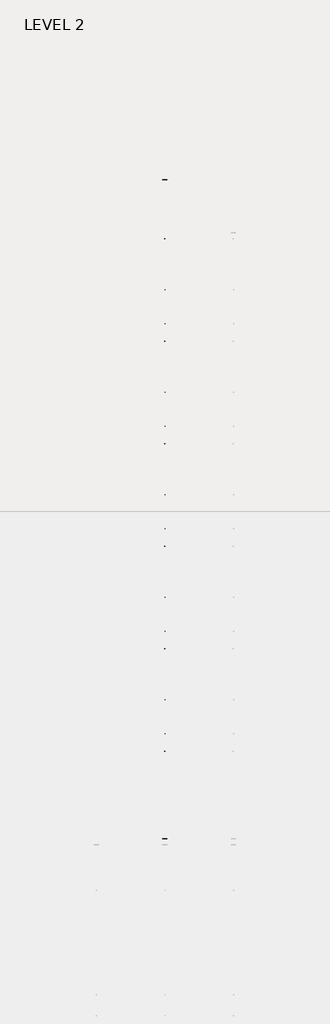
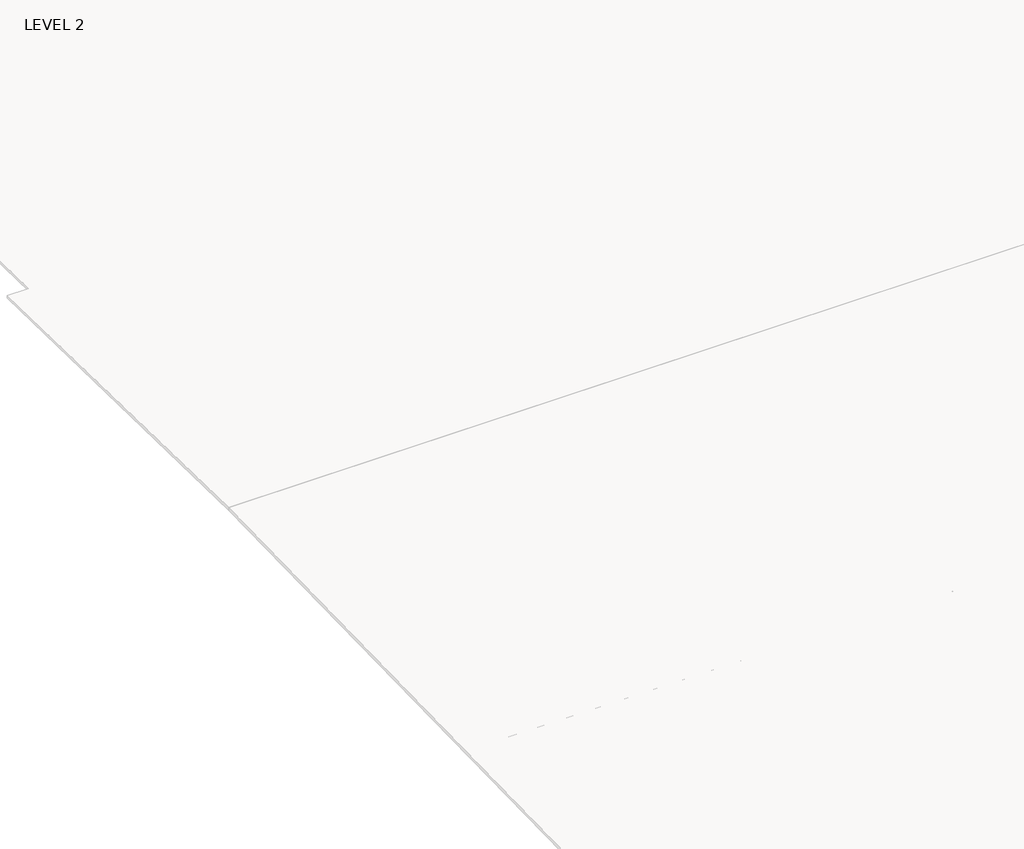
# One storey, part 14 of 67: 1 beam.
"""IFC4 building model written with IfcOpenShell, lengths in millimetres."""

import ifcopenshell
import ifcopenshell.guid

model = None  # the IFC model being written
_history = None  # IfcOwnerHistory: only IFC2X3 demands one
_inside = {}  # id of a spatial element -> (the spatial element, [elements in it])
_under = {}  # id of a project, library or spatial element -> (it, [spatial elements below it])
_declared = {}  # id of a project -> (the project, [libraries it declares])
_typed = {}  # id of a type object -> (the type object, [elements of that type])
_made_of = {}  # id of a material, layer set ... -> (it, [elements and type objects made of it])


def new_model(schema):
    """Start an empty IFC model of exactly this schema.

    Asked for "IFC4X3", IfcOpenShell would pick the latest addendum, in which some entities
    have other attributes; the version numbers below select the first issue.
    IFC2X3 requires an IfcOwnerHistory on every rooted entity: one is made here for all.
    """
    global model, _history
    if schema == "IFC4X3":
        model = ifcopenshell.file(schema_version=(4, 3, 0, 0))
    else:
        model = ifcopenshell.file(schema=schema)
    _inside.clear()
    _under.clear()
    _declared.clear()
    _typed.clear()
    _made_of.clear()
    _history = None
    if model.schema == "IFC2X3":
        org = make("IfcOrganization", Name="unknown")
        user = make(
            "IfcPersonAndOrganization",
            ThePerson=make("IfcPerson", FamilyName="unknown"),
            TheOrganization=org,
        )
        app = make(
            "IfcApplication",
            ApplicationDeveloper=org,
            Version="unknown",
            ApplicationFullName="unknown",
            ApplicationIdentifier="unknown",
        )
        _history = make(
            "IfcOwnerHistory",
            OwningUser=user,
            OwningApplication=app,
            ChangeAction="ADDED",
            CreationDate=0,
        )
    return model


def make(cls, **values):
    """One entity of the class cls with the attributes given. An attribute that is None is left unset."""
    return model.create_entity(
        cls, **{name: value for name, value in values.items() if value is not None}
    )


def rooted(cls, **values):
    """An entity with a GlobalId (a new one), such as an element, a storey or a relation."""
    return make(cls, GlobalId=ifcopenshell.guid.new(), OwnerHistory=_history, **values)


def si_unit(unit_type, name, prefix=None):
    """IfcSIUnit, for example si_unit("LENGTHUNIT", "METRE", prefix="MILLI")."""
    return make("IfcSIUnit", UnitType=unit_type, Prefix=prefix, Name=name)


def assignment(units):
    """IfcUnitAssignment: the units of a project."""
    return None if units is None else make("IfcUnitAssignment", Units=units)


def point(xyz):
    """IfcCartesianPoint."""
    return None if xyz is None else make("IfcCartesianPoint", Coordinates=xyz)


def direction(xyz):
    """IfcDirection."""
    return None if xyz is None else make("IfcDirection", DirectionRatios=xyz)


def frame(location, z_axis=None, x_axis=None):
    """IfcAxis2Placement3D, a coordinate frame: its origin and axes. An axis left out is left unset."""
    return make(
        "IfcAxis2Placement3D",
        Location=point(location),
        Axis=direction(z_axis),
        RefDirection=direction(x_axis),
    )


def origin():
    """The frame at (0, 0, 0) with its axes left unset."""
    return frame((0.0, 0.0, 0.0))


def place(relative_to, where):
    """IfcLocalPlacement: puts the frame where relative to a parent placement (None: the world)."""
    return make(
        "IfcLocalPlacement", PlacementRelTo=relative_to, RelativePlacement=where
    )


def context(
    kind, dimensions, precision=None, world=None, true_north=None, identifier=None
):
    """IfcGeometricRepresentationContext, for example the 3D "Model" context."""
    return make(
        "IfcGeometricRepresentationContext",
        ContextIdentifier=identifier,
        ContextType=kind,
        CoordinateSpaceDimension=dimensions,
        Precision=precision,
        WorldCoordinateSystem=world,
        TrueNorth=true_north,
    )


def project(units=None, contexts=None):
    """IfcProject with its units and contexts."""
    return rooted(
        "IfcProject",
        Name="project",
        RepresentationContexts=contexts,
        UnitsInContext=assignment(units),
    )


def spatial(cls, under=None, at=None, **own):
    """A site, building, storey or space (cls), placed at a placement, below another one or the project."""
    s = rooted(cls, ObjectPlacement=at, **own)
    if under is not None:
        _under.setdefault(under.id(), (under, []))[1].append(s)
    return s


def polyline(points):
    """IfcPolyline through the points."""
    return make("IfcPolyline", Points=[point(p) for p in points])


def outline(outer, holes=None, kind="AREA"):
    """IfcArbitraryClosedProfileDef: a profile drawn as a closed curve; with holes, ...WithVoids."""
    if holes is None:
        return make("IfcArbitraryClosedProfileDef", ProfileType=kind, OuterCurve=outer)
    return make(
        "IfcArbitraryProfileDefWithVoids",
        ProfileType=kind,
        OuterCurve=outer,
        InnerCurves=holes,
    )


def extrude(swept, where, along, depth):
    """IfcExtrudedAreaSolid: the profile swept, set in the frame where, extruded along a direction by depth."""
    return make(
        "IfcExtrudedAreaSolid",
        SweptArea=swept,
        Position=where,
        ExtrudedDirection=direction(along),
        Depth=depth,
    )


def faces_of(points, faces, orient=None, outer=None):
    """IfcFace entities. A face is a list of loops; a loop is a list of indices into points, from 0.

    orient and outer hold one flag for each loop. By default every Orientation is true, the
    first loop of a face is its IfcFaceOuterBound and the others are IfcFaceBound.
    """
    made = []
    for i, loops in enumerate(faces):
        bounds = []
        for j, loop in enumerate(loops):
            is_outer = j == 0 if outer is None else outer[i][j]
            bounds.append(
                make(
                    "IfcFaceOuterBound" if is_outer else "IfcFaceBound",
                    Bound=make("IfcPolyLoop", Polygon=[points[k] for k in loop]),
                    Orientation=True if orient is None else orient[i][j],
                )
            )
        made.append(make("IfcFace", Bounds=bounds))
    return made


def faceted_brep(points, faces, orient=None, outer=None, voids=None):
    """IfcFacetedBrep: a solid bounded by flat faces; with voids (closed shells), ...WithVoids."""
    shared = [point(p) for p in points]
    hull = make("IfcClosedShell", CfsFaces=faces_of(shared, faces, orient, outer))
    if voids is None:
        return make("IfcFacetedBrep", Outer=hull)
    return make(
        "IfcFacetedBrepWithVoids",
        Outer=hull,
        Voids=[
            make(cls, CfsFaces=faces_of(shared, fs, o, b)) for cls, fs, o, b in voids
        ],
    )


def shape(context_of_items, identifier, shape_type, items):
    """IfcShapeRepresentation: the items that make up one representation, for example the "Body"."""
    return make(
        "IfcShapeRepresentation",
        ContextOfItems=context_of_items,
        RepresentationIdentifier=identifier,
        RepresentationType=shape_type,
        Items=items,
    )


def made_of(thing, what):
    """Note that an element or type object is made of a material, layer set ...; save() writes the relation."""
    if what is not None:
        _made_of.setdefault(what.id(), (what, []))[1].append(thing)
    return thing


def element(
    cls,
    number,
    at=None,
    inside=None,
    cuts=None,
    type_object=None,
    material=None,
    context=None,
    identifier="Body",
    shape_type=None,
    held_by="IfcProductDefinitionShape",
    body=None,
    shapes=None,
    **own,
):
    """One element of the class cls, such as IfcWall. Its Tag is "e" and its number.

    at: its placement. inside: the storey or other place that contains it. cuts: it is an
    opening in that element (IfcRelVoidsElement). A single representation is given by context,
    identifier, shape_type and body (its items); several are given by shapes. held_by: the class
    of the entity that holds the representations. save() writes the other relations.
    """
    e = rooted(cls, Tag="e%d" % number, ObjectPlacement=at, **own)
    if body is not None:
        shapes = [shape(context, identifier, shape_type, body)]
    if shapes is not None:
        e.Representation = make(held_by, Representations=shapes)
    if inside is not None:
        _inside.setdefault(inside.id(), (inside, []))[1].append(e)
    if cuts is not None:
        rooted(
            "IfcRelVoidsElement", RelatingBuildingElement=cuts, RelatedOpeningElement=e
        )
    if type_object is not None:
        _typed.setdefault(type_object.id(), (type_object, []))[1].append(e)
    return made_of(e, material)


def aggregate(whole, parts):
    """IfcRelAggregates: a whole, such as a stair, and the parts it consists of."""
    return rooted("IfcRelAggregates", RelatingObject=whole, RelatedObjects=parts)


def save(model, path):
    """Write the relations noted so far, then the file.

    IfcRelAggregates (storeys below a building ...), IfcRelContainedInSpatialStructure (elements
    in a storey), IfcRelDefinesByType, IfcRelAssociatesMaterial and IfcRelDeclares: one each for
    every whole, place, type object, material and project.
    """
    for whole, parts in _under.values():
        aggregate(whole, parts)
    for where, things in _inside.values():
        rooted(
            "IfcRelContainedInSpatialStructure",
            RelatedElements=things,
            RelatingStructure=where,
        )
    for kind, things in _typed.values():
        rooted("IfcRelDefinesByType", RelatedObjects=things, RelatingType=kind)
    for what, things in _made_of.values():
        rooted("IfcRelAssociatesMaterial", RelatedObjects=things, RelatingMaterial=what)
    for by, libraries in _declared.values():
        rooted("IfcRelDeclares", RelatingContext=by, RelatedDefinitions=libraries)
    model.write(path)


model = new_model("IFC4")

# Units and contexts
model_context = context("Model", 3, world=origin())
ifc_project = project(units=[si_unit("LENGTHUNIT", "METRE", prefix="MILLI")], contexts=[model_context])

# Site, building, storey
site = spatial("IfcSite", under=ifc_project)
building = spatial("IfcBuilding", under=site)
storey = spatial("IfcBuildingStorey", under=building, Name="LEVEL 2", Elevation=6908.8)

# Beam
placement = place(None, origin())
element("IfcBeam", 1, ObjectType="K-Series Bar Joist-Angle Web : 20K3", at=placement, inside=storey, context=model_context, shape_type="SolidModel", body=[
    extrude(outline(polyline([(0.0, -9.525), (0.0, 0.0), (1028.0726482, 0.0), (1028.0726482, -9.525), (0.0, -9.525)])), frame((10027.4814942, 3035.5565988, 6301.6902795), z_axis=(0.0, -0.4581388556718107, 0.8888806381757475), x_axis=(0.0, -0.8888806381757475, -0.4581388556718107)), (0.0, 0.0, 1.0), 9.525),
    extrude(outline(polyline([(0.0, -9.525), (0.0, 0.0), (1028.0726482, 0.0), (1028.0726482, -9.525), (0.0, -9.525)])), frame((10017.9564942, -8186.063857, 6288.1864432), z_axis=(0.0, 0.4559982154445185, 0.8899806894036604), x_axis=(0.0, 0.8899806894036604, -0.4559982154445185)), (0.0, 0.0, 1.0), 9.525),
    extrude(outline(polyline([(4.7625, 4.7625), (4.7625, -4.7625), (-4.7625, -4.7625), (-4.7625, 4.7625), (4.7625, 4.7625)])), frame((10022.7189942, 2119.5408409, 5834.923547), z_axis=(0.0, 0.5286558449141312, 0.8488362607936387), x_axis=(-1.0, 0.0, 0.0)), (0.0, 0.0, 1.0), 553.9970421),
    extrude(outline(polyline([(4.7625, 4.7625), (4.7625, -4.7625), (-4.7625, -4.7625), (-4.7625, 4.7625), (4.7625, 4.7625)])), frame((10022.7189942, -7268.9273613, 5823.6256833), z_axis=(0.0, -0.5306972503606071, 0.8475614599895934), x_axis=(-1.0, 0.0, 0.0)), (0.0, 0.0, 1.0), 553.9970421),
    extrude(outline(polyline([(0.0, 0.0), (31.75, 0.0), (31.75, -6.35), (6.35, -6.35), (6.35, -31.75), (0.0, -31.75), (0.0, 0.0)])), frame((10027.4814942, -7370.5196463, 5817.1534249), z_axis=(0.0, 0.999999275943077, 0.001203375802351099), x_axis=(1.0, 0.0, 0.0)), (0.0, 0.0, 1.0), 9591.675),
    extrude(outline(polyline([(-9.525, 0.0), (-9.525, -31.75), (-15.875, -31.75), (-15.875, -6.35), (-41.275, -6.35), (-41.275, 0.0), (-9.525, 0.0)])), frame((10027.4814942, -7370.5196463, 5817.1534249), z_axis=(0.0, 0.999999275943077, 0.001203375802351099), x_axis=(1.0, 0.0, 0.0)), (0.0, 0.0, 1.0), 9591.675),
    extrude(outline(polyline([(-31.75, 0.0), (0.0, 0.0), (0.0, -6.35), (-25.4, -6.35), (-25.4, -31.75), (-31.75, -31.75), (-31.75, 0.0)])), frame((10059.2314942, -8285.4538848, 6260.5527363), z_axis=(0.0, 0.999999275943077, 0.001203375802351099), x_axis=(1.0, 0.0, 0.0)), (0.0, 0.0, 1.0), 101.6),
    extrude(outline(polyline([(-41.275, 0.0), (-41.275, -31.75), (-47.625, -31.75), (-47.625, -6.35), (-73.025, -6.35), (-73.025, 0.0), (-41.275, 0.0)])), frame((10059.2314942, -8285.4538848, 6260.5527363), z_axis=(0.0, 0.999999275943077, 0.001203375802351099), x_axis=(1.0, 0.0, 0.0)), (0.0, 0.0, 1.0), 101.6),
    extrude(outline(polyline([(0.0, 0.0), (31.7500001, 0.0), (31.7500001, -6.35), (6.35, -6.35), (6.35, -31.75), (0.0, -31.75), (0.0, 0.0)])), frame((10017.9564942, 3033.4129197, 6274.1735965), z_axis=(0.0, 0.999999275943077, 0.001203375802351099), x_axis=(0.0, -0.001203375802351099, 0.999999275943077)), (0.0, 0.0, 1.0), 101.6),
    extrude(outline(polyline([(0.0, 41.275), (6.35, 41.275), (6.35, 15.875), (31.7500001, 15.875), (31.7500001, 9.525), (0.0, 9.525), (0.0, 41.275)])), frame((10017.9564942, 3033.4129197, 6274.1735965), z_axis=(0.0, 0.999999275943077, 0.001203375802351099), x_axis=(0.0, -0.001203375802351099, 0.999999275943077)), (0.0, 0.0, 1.0), 101.6),
    extrude(outline(polyline([(0.0, 0.0), (31.75, 0.0), (31.75, -6.35), (6.35, -6.35), (6.35, -31.75), (0.0, -31.75), (0.0, 0.0)])), frame((10027.4814942, -8285.5302992, 6324.0526903), z_axis=(0.0, 0.999999275943077, 0.001203375802351099), x_axis=(0.0, 0.001203375802351099, -0.999999275943077)), (0.0, 0.0, 1.0), 11420.475),
    extrude(outline(polyline([(0.0, 9.525), (0.0, 41.275), (6.35, 41.275), (6.35, 15.875), (31.75, 15.875), (31.75, 9.525), (0.0, 9.525)])), frame((10027.4814942, -8285.5302992, 6324.0526903), z_axis=(0.0, 0.999999275943077, 0.001203375802351099), x_axis=(0.0, 0.001203375802351099, -0.999999275943077)), (0.0, 0.0, 1.0), 11420.475),
    faceted_brep([(10022.7189942, 2119.5217373, 5850.7985355), (10022.7189942, 2119.5446616, 5831.7485493), (10017.9564942, 2119.5446616, 5831.7485493), (10017.9564942, 2119.5217373, 5850.7985355), (10022.7189942, 2118.6502338, 5850.7974867), (10022.7189942, 1837.3302348, 6333.0593022), (10022.7189942, 1819.1517521, 6333.0374267), (10022.7189942, 1819.1746764, 6313.9874404), (10022.7189942, 1826.3961753, 6313.9961306), (10022.7189942, 2107.7161743, 5831.7343151), (10017.9564942, 2107.7161743, 5831.7343151), (10017.9564942, 2087.3574901, 5866.6348412), (10017.9564942, 2091.4712349, 5869.0345309), (10017.9564942, 1839.7638674, 6300.5319447), (10017.9564942, 1835.6501226, 6298.1322551), (10017.9564942, 1826.3961753, 6313.9961306), (10017.9564942, 1819.1746764, 6313.9874404), (10017.9564942, 1819.1517521, 6333.0374267), (10017.9564942, 1837.3302348, 6333.0593022), (10017.9564942, 2118.6502338, 5850.7974867), (10005.2564942, 1835.6501226, 6298.1322551), (10005.2564942, 2087.3574901, 5866.6348412), (10005.2564942, 2091.4712349, 5869.0345309), (10005.2564942, 1839.7638674, 6300.5319447)], [[[0, 1, 2, 3]], [[1, 0, 4, 5, 6, 7, 8, 9]], [[2, 1, 9, 10]], [[3, 2, 10, 11, 12, 13, 14, 15, 16, 17, 18, 19]], [[0, 3, 19, 4]], [[9, 8, 15, 14, 20, 21, 11, 10]], [[5, 4, 19, 18]], [[7, 6, 17, 16]], [[8, 7, 16, 15]], [[6, 5, 18, 17]], [[21, 22, 12, 11]], [[20, 14, 13, 23]], [[22, 21, 20, 23]], [[12, 22, 23, 13]]]),
    extrude(outline(polyline([(1532.6661803, 5831.0423134), (1532.643256, 5850.0922996), (1533.5147595, 5850.0933483), (1813.6732602, 6333.030834), (1831.8517429, 6333.0527095), (1831.8746672, 6314.0027233), (1824.6531683, 6313.9940331), (1544.4946676, 5831.0565475), (1532.6661803, 5831.0423134)])), frame((10022.7189942, 0.0, 0.0), z_axis=(1.0, 0.0, 0.0), x_axis=(0.0, 1.0, 0.0)), (0.0, 0.0, 1.0), 4.7625),
    extrude(outline(polyline([(-4.7625, 4.7625), (-4.7625, 0.0), (-17.4625, 0.0), (-17.4625, 4.7625), (-4.7625, 4.7625)])), frame((10022.7189942, 1564.7692959, 5866.0059708), z_axis=(0.0, 0.501791478272945, 0.8649886197706028), x_axis=(-1.0, 0.0, 0.0)), (0.0, 0.0, 1.0), 499.5464113),
    faceted_brep([(10022.7189942, -6682.0679836, 5840.2069077), (10022.7189942, -6682.0450593, 5821.1569215), (10017.9564942, -6682.0450593, 5821.1569215), (10017.9564942, -6682.0679836, 5840.2069077), (10022.7189942, -6682.9394871, 5840.205859), (10022.7189942, -6964.2594861, 6322.4676745), (10022.7189942, -6982.4379688, 6322.4457989), (10022.7189942, -6982.4150445, 6303.3958127), (10022.7189942, -6975.1935456, 6303.4045029), (10022.7189942, -6693.8735466, 5821.1426874), (10017.9564942, -6693.8735466, 5821.1426874), (10017.9564942, -6714.2322308, 5856.0432135), (10017.9564942, -6710.118486, 5858.4429031), (10017.9564942, -6961.8258535, 6289.940317), (10017.9564942, -6965.9395983, 6287.5406274), (10017.9564942, -6975.1935456, 6303.4045029), (10017.9564942, -6982.4150445, 6303.3958127), (10017.9564942, -6982.4379688, 6322.4457989), (10017.9564942, -6964.2594861, 6322.4676745), (10017.9564942, -6682.9394871, 5840.205859), (10005.2564942, -6965.9395983, 6287.5406274), (10005.2564942, -6714.2322308, 5856.0432135), (10005.2564942, -6710.118486, 5858.4429031), (10005.2564942, -6961.8258535, 6289.940317)], [[[0, 1, 2, 3]], [[1, 0, 4, 5, 6, 7, 8, 9]], [[2, 1, 9, 10]], [[3, 2, 10, 11, 12, 13, 14, 15, 16, 17, 18, 19]], [[0, 3, 19, 4]], [[9, 8, 15, 14, 20, 21, 11, 10]], [[5, 4, 19, 18]], [[7, 6, 17, 16]], [[8, 7, 16, 15]], [[6, 5, 18, 17]], [[21, 22, 12, 11]], [[20, 14, 13, 23]], [[22, 21, 20, 23]], [[12, 22, 23, 13]]]),
    extrude(outline(polyline([(-7268.9235406, 5820.4506856), (-7268.9464649, 5839.5006718), (-7268.0749614, 5839.5017206), (-6987.9164607, 6322.4392062), (-6969.737978, 6322.4610818), (-6969.7150537, 6303.4110956), (-6976.9365526, 6303.4024054), (-7257.0950533, 5820.4649197), (-7268.9235406, 5820.4506856)])), frame((10022.7189942, 0.0, 0.0), z_axis=(1.0, 0.0, 0.0), x_axis=(0.0, 1.0, 0.0)), (0.0, 0.0, 1.0), 4.7625),
    extrude(outline(polyline([(-4.7625, 4.7625), (-4.7625, 0.0), (-17.4625, 0.0), (-17.4625, 4.7625), (-4.7625, 4.7625)])), frame((10022.7189942, -7236.820425, 5855.414343), z_axis=(0.0, 0.501791478272945, 0.8649886197706028), x_axis=(-1.0, 0.0, 0.0)), (0.0, 0.0, 1.0), 499.5464113),
    faceted_brep([(10022.7189942, 1532.7490892, 5850.0924269), (10022.7189942, 1532.7720135, 5831.0424407), (10017.9564942, 1532.7720135, 5831.0424407), (10017.9564942, 1532.7490892, 5850.0924269), (10022.7189942, 1531.8775857, 5850.0913782), (10022.7189942, 1250.5575867, 6332.3531937), (10022.7189942, 1232.379104, 6332.3313181), (10022.7189942, 1232.4020283, 6313.2813319), (10022.7189942, 1239.6235272, 6313.2900221), (10022.7189942, 1520.9435262, 5831.0282066), (10017.9564942, 1520.9435262, 5831.0282066), (10017.9564942, 1500.5848421, 5865.9287327), (10017.9564942, 1504.6985868, 5868.3284224), (10017.9564942, 1252.9912193, 6299.8258362), (10017.9564942, 1248.8774745, 6297.4261466), (10017.9564942, 1239.6235272, 6313.2900221), (10017.9564942, 1232.4020283, 6313.2813319), (10017.9564942, 1232.379104, 6332.3313181), (10017.9564942, 1250.5575867, 6332.3531937), (10017.9564942, 1531.8775857, 5850.0913782), (10005.2564942, 1248.8774745, 6297.4261466), (10005.2564942, 1500.5848421, 5865.9287327), (10005.2564942, 1504.6985868, 5868.3284224), (10005.2564942, 1252.9912193, 6299.8258362)], [[[0, 1, 2, 3]], [[1, 0, 4, 5, 6, 7, 8, 9]], [[2, 1, 9, 10]], [[3, 2, 10, 11, 12, 13, 14, 15, 16, 17, 18, 19]], [[0, 3, 19, 4]], [[9, 8, 15, 14, 20, 21, 11, 10]], [[5, 4, 19, 18]], [[7, 6, 17, 16]], [[8, 7, 16, 15]], [[6, 5, 18, 17]], [[21, 22, 12, 11]], [[20, 14, 13, 23]], [[22, 21, 20, 23]], [[12, 22, 23, 13]]]),
    extrude(outline(polyline([(945.8935322, 5830.3362049), (945.8706079, 5849.3861911), (946.7421114, 5849.3872398), (1226.9006121, 6332.3247254), (1245.0790948, 6332.346601), (1245.1020191, 6313.2966148), (1237.8805202, 6313.2879246), (957.7220195, 5830.350439), (945.8935322, 5830.3362049)])), frame((10022.7189942, 0.0, 0.0), z_axis=(1.0, 0.0, 0.0), x_axis=(0.0, 1.0, 0.0)), (0.0, 0.0, 1.0), 4.7625),
    extrude(outline(polyline([(-4.7625, 4.7625), (-4.7625, 0.0), (-17.4625, 0.0), (-17.4625, 4.7625), (-4.7625, 4.7625)])), frame((10022.7189942, 977.9966479, 5865.2998623), z_axis=(0.0, 0.501791478272945, 0.8649886197706028), x_axis=(-1.0, 0.0, 0.0)), (0.0, 0.0, 1.0), 499.5464113),
    faceted_brep([(10022.7189942, 945.9764412, 5849.3863184), (10022.7189942, 945.9993655, 5830.3363322), (10017.9564942, 945.9993655, 5830.3363322), (10017.9564942, 945.9764412, 5849.3863184), (10022.7189942, 945.1049377, 5849.3852697), (10022.7189942, 663.7849387, 6331.6470852), (10022.7189942, 645.6064559, 6331.6252096), (10022.7189942, 645.6293802, 6312.5752234), (10022.7189942, 652.8508791, 6312.5839136), (10022.7189942, 934.1708782, 5830.3220981), (10017.9564942, 934.1708782, 5830.3220981), (10017.9564942, 913.812194, 5865.2226242), (10017.9564942, 917.9259388, 5867.6223138), (10017.9564942, 666.2185712, 6299.1197277), (10017.9564942, 662.1048265, 6296.7200381), (10017.9564942, 652.8508791, 6312.5839136), (10017.9564942, 645.6293802, 6312.5752234), (10017.9564942, 645.6064559, 6331.6252096), (10017.9564942, 663.7849387, 6331.6470852), (10017.9564942, 945.1049377, 5849.3852697), (10005.2564942, 662.1048265, 6296.7200381), (10005.2564942, 913.812194, 5865.2226242), (10005.2564942, 917.9259388, 5867.6223138), (10005.2564942, 666.2185712, 6299.1197277)], [[[0, 1, 2, 3]], [[1, 0, 4, 5, 6, 7, 8, 9]], [[2, 1, 9, 10]], [[3, 2, 10, 11, 12, 13, 14, 15, 16, 17, 18, 19]], [[0, 3, 19, 4]], [[9, 8, 15, 14, 20, 21, 11, 10]], [[5, 4, 19, 18]], [[7, 6, 17, 16]], [[8, 7, 16, 15]], [[6, 5, 18, 17]], [[21, 22, 12, 11]], [[20, 14, 13, 23]], [[22, 21, 20, 23]], [[12, 22, 23, 13]]]),
    extrude(outline(polyline([(359.1208842, 5829.6300963), (359.0979598, 5848.6800825), (359.9694633, 5848.6811313), (640.127964, 6331.6186169), (658.3064467, 6331.6404925), (658.3293711, 6312.5905063), (651.1078722, 6312.5818161), (370.9493715, 5829.6443305), (359.1208842, 5829.6300963)])), frame((10022.7189942, 0.0, 0.0), z_axis=(1.0, 0.0, 0.0), x_axis=(0.0, 1.0, 0.0)), (0.0, 0.0, 1.0), 4.7625),
    extrude(outline(polyline([(-4.7625, 4.7625), (-4.7625, 0.0), (-17.4625, 0.0), (-17.4625, 4.7625), (-4.7625, 4.7625)])), frame((10022.7189942, 391.2239998, 5864.5937538), z_axis=(0.0, 0.501791478272945, 0.8649886197706028), x_axis=(-1.0, 0.0, 0.0)), (0.0, 0.0, 1.0), 499.5464113),
    faceted_brep([(10022.7189942, 359.2037931, 5848.6802099), (10022.7189942, 359.2267174, 5829.6302237), (10017.9564942, 359.2267174, 5829.6302237), (10017.9564942, 359.2037931, 5848.6802099), (10022.7189942, 358.3322896, 5848.6791612), (10022.7189942, 77.0122906, 6330.9409767), (10022.7189942, 58.8338079, 6330.9191011), (10022.7189942, 58.8567322, 6311.8691149), (10022.7189942, 66.0782311, 6311.8778051), (10022.7189942, 347.3982301, 5829.6159896), (10017.9564942, 347.3982301, 5829.6159896), (10017.9564942, 327.039546, 5864.5165157), (10017.9564942, 331.1532907, 5866.9162053), (10017.9564942, 79.4459232, 6298.4136192), (10017.9564942, 75.3321784, 6296.0139296), (10017.9564942, 66.0782311, 6311.8778051), (10017.9564942, 58.8567322, 6311.8691149), (10017.9564942, 58.8338079, 6330.9191011), (10017.9564942, 77.0122906, 6330.9409767), (10017.9564942, 358.3322896, 5848.6791612), (10005.2564942, 75.3321784, 6296.0139296), (10005.2564942, 327.039546, 5864.5165157), (10005.2564942, 331.1532907, 5866.9162053), (10005.2564942, 79.4459232, 6298.4136192)], [[[0, 1, 2, 3]], [[1, 0, 4, 5, 6, 7, 8, 9]], [[2, 1, 9, 10]], [[3, 2, 10, 11, 12, 13, 14, 15, 16, 17, 18, 19]], [[0, 3, 19, 4]], [[9, 8, 15, 14, 20, 21, 11, 10]], [[5, 4, 19, 18]], [[7, 6, 17, 16]], [[8, 7, 16, 15]], [[6, 5, 18, 17]], [[21, 22, 12, 11]], [[20, 14, 13, 23]], [[22, 21, 20, 23]], [[12, 22, 23, 13]]]),
    extrude(outline(polyline([(-227.6517639, 5828.9239878), (-227.6746882, 5847.973974), (-226.8031847, 5847.9750228), (53.355316, 6330.9125084), (71.5337987, 6330.934384), (71.556723, 6311.8843978), (64.3352241, 6311.8757076), (-215.8232766, 5828.938222), (-227.6517639, 5828.9239878)])), frame((10022.7189942, 0.0, 0.0), z_axis=(1.0, 0.0, 0.0), x_axis=(0.0, 1.0, 0.0)), (0.0, 0.0, 1.0), 4.7625),
    extrude(outline(polyline([(-4.7625, 4.7625), (-4.7625, 0.0), (-17.4625, 0.0), (-17.4625, 4.7625), (-4.7625, 4.7625)])), frame((10022.7189942, -195.5486483, 5863.8876453), z_axis=(0.0, 0.501791478272945, 0.8649886197706028), x_axis=(-1.0, 0.0, 0.0)), (0.0, 0.0, 1.0), 499.5464113),
    faceted_brep([(10022.7189942, -527.9159159, 6311.1630064), (10022.7189942, -527.9388402, 6330.2129926), (10017.9564942, -527.9388402, 6330.2129926), (10017.9564942, -527.9159159, 6311.1630064), (10022.7189942, -520.694417, 6311.1716966), (10017.9564942, -520.694417, 6311.1716966), (10005.2564942, -255.6193573, 5866.2100968), (10005.2564942, -259.7331021, 5863.8104072), (10005.2564942, -511.4404696, 6295.3078211), (10005.2564942, -507.3267249, 6297.7075107), (10022.7189942, -227.568855, 5847.9741014), (10022.7189942, -227.5459306, 5828.9241152), (10017.9564942, -227.5459306, 5828.9241152), (10017.9564942, -227.568855, 5847.9741014), (10022.7189942, -228.4403585, 5847.9730526), (10022.7189942, -509.7603575, 6330.2348681), (10022.7189942, -239.374418, 5828.9098811), (10017.9564942, -239.374418, 5828.9098811), (10017.9564942, -259.7331021, 5863.8104072), (10017.9564942, -255.6193573, 5866.2100968), (10017.9564942, -507.3267249, 6297.7075107), (10017.9564942, -511.4404696, 6295.3078211), (10017.9564942, -509.7603575, 6330.2348681), (10017.9564942, -228.4403585, 5847.9730526)], [[[0, 1, 2, 3]], [[4, 0, 3, 5]], [[6, 7, 8, 9]], [[10, 11, 12, 13]], [[11, 10, 14, 15, 1, 0, 4, 16]], [[12, 11, 16, 17]], [[13, 12, 17, 18, 19, 20, 21, 5, 3, 2, 22, 23]], [[10, 13, 23, 14]], [[16, 4, 5, 21, 8, 7, 18, 17]], [[15, 14, 23, 22]], [[1, 15, 22, 2]], [[7, 6, 19, 18]], [[8, 21, 20, 9]], [[19, 6, 9, 20]]]),
    extrude(outline(polyline([(-814.424412, 5828.2178793), (-814.4473363, 5847.2678655), (-813.5758328, 5847.2689143), (-533.4173321, 6330.2063999), (-515.2388494, 6330.2282755), (-515.2159251, 6311.1782893), (-522.437424, 6311.1695991), (-802.5959247, 5828.2321134), (-814.424412, 5828.2178793)])), frame((10022.7189942, 0.0, 0.0), z_axis=(1.0, 0.0, 0.0), x_axis=(0.0, 1.0, 0.0)), (0.0, 0.0, 1.0), 4.7625),
    extrude(outline(polyline([(-4.7625, 4.7625), (-4.7625, 0.0), (-17.4625, 0.0), (-17.4625, 4.7625), (-4.7625, 4.7625)])), frame((10022.7189942, -782.3212963, 5863.1815367), z_axis=(0.0, 0.501791478272945, 0.8649886197706028), x_axis=(-1.0, 0.0, 0.0)), (0.0, 0.0, 1.0), 499.5464113),
    faceted_brep([(10022.7189942, -1114.6885639, 6310.4568979), (10022.7189942, -1114.7114882, 6329.5068841), (10017.9564942, -1114.7114882, 6329.5068841), (10017.9564942, -1114.6885639, 6310.4568979), (10022.7189942, -1107.467065, 6310.465588), (10017.9564942, -1107.467065, 6310.465588), (10005.2564942, -842.3920054, 5865.5039883), (10005.2564942, -846.5057502, 5863.1042987), (10005.2564942, -1098.2131177, 6294.6017125), (10005.2564942, -1094.0993729, 6297.0014022), (10022.7189942, -814.341503, 5847.2679929), (10022.7189942, -814.3185787, 5828.2180067), (10017.9564942, -814.3185787, 5828.2180067), (10017.9564942, -814.341503, 5847.2679929), (10022.7189942, -815.2130065, 5847.2669441), (10022.7189942, -1096.5330055, 6329.5287596), (10022.7189942, -826.147066, 5828.2037725), (10017.9564942, -826.147066, 5828.2037725), (10017.9564942, -846.5057502, 5863.1042987), (10017.9564942, -842.3920054, 5865.5039883), (10017.9564942, -1094.0993729, 6297.0014022), (10017.9564942, -1098.2131177, 6294.6017125), (10017.9564942, -1096.5330055, 6329.5287596), (10017.9564942, -815.2130065, 5847.2669441)], [[[0, 1, 2, 3]], [[4, 0, 3, 5]], [[6, 7, 8, 9]], [[10, 11, 12, 13]], [[11, 10, 14, 15, 1, 0, 4, 16]], [[12, 11, 16, 17]], [[13, 12, 17, 18, 19, 20, 21, 5, 3, 2, 22, 23]], [[10, 13, 23, 14]], [[16, 4, 5, 21, 8, 7, 18, 17]], [[15, 14, 23, 22]], [[1, 15, 22, 2]], [[7, 6, 19, 18]], [[8, 21, 20, 9]], [[19, 6, 9, 20]]]),
    extrude(outline(polyline([(-1401.19706, 5827.5117708), (-1401.2199843, 5846.561757), (-1400.3484808, 5846.5628057), (-1120.1899801, 6329.5002914), (-1102.0114974, 6329.5221669), (-1101.9885731, 6310.4721807), (-1109.210072, 6310.4634906), (-1389.3685727, 5827.5260049), (-1401.19706, 5827.5117708)])), frame((10022.7189942, 0.0, 0.0), z_axis=(1.0, 0.0, 0.0), x_axis=(0.0, 1.0, 0.0)), (0.0, 0.0, 1.0), 4.7625),
    extrude(outline(polyline([(-4.7625, 4.7625), (-4.7625, 0.0), (-17.4625, 0.0), (-17.4625, 4.7625), (-4.7625, 4.7625)])), frame((10022.7189942, -1369.0939444, 5862.4754282), z_axis=(0.0, 0.501791478272945, 0.8649886197706028), x_axis=(-1.0, 0.0, 0.0)), (0.0, 0.0, 1.0), 499.5464113),
    faceted_brep([(10022.7189942, -1701.461212, 6309.7507893), (10022.7189942, -1701.4841363, 6328.8007756), (10017.9564942, -1701.4841363, 6328.8007756), (10017.9564942, -1701.461212, 6309.7507893), (10022.7189942, -1694.2397131, 6309.7594795), (10017.9564942, -1694.2397131, 6309.7594795), (10005.2564942, -1429.1646535, 5864.7978798), (10005.2564942, -1433.2783982, 5862.3981901), (10005.2564942, -1684.9857658, 6293.895604), (10005.2564942, -1680.872021, 6296.2952936), (10022.7189942, -1401.1141511, 5846.5618844), (10022.7189942, -1401.0912268, 5827.5118981), (10017.9564942, -1401.0912268, 5827.5118981), (10017.9564942, -1401.1141511, 5846.5618844), (10022.7189942, -1401.9856546, 5846.5608356), (10022.7189942, -1683.3056536, 6328.8226511), (10022.7189942, -1412.9197141, 5827.497664), (10017.9564942, -1412.9197141, 5827.497664), (10017.9564942, -1433.2783982, 5862.3981901), (10017.9564942, -1429.1646535, 5864.7978798), (10017.9564942, -1680.872021, 6296.2952936), (10017.9564942, -1684.9857658, 6293.895604), (10017.9564942, -1683.3056536, 6328.8226511), (10017.9564942, -1401.9856546, 5846.5608356)], [[[0, 1, 2, 3]], [[4, 0, 3, 5]], [[6, 7, 8, 9]], [[10, 11, 12, 13]], [[11, 10, 14, 15, 1, 0, 4, 16]], [[12, 11, 16, 17]], [[13, 12, 17, 18, 19, 20, 21, 5, 3, 2, 22, 23]], [[10, 13, 23, 14]], [[16, 4, 5, 21, 8, 7, 18, 17]], [[15, 14, 23, 22]], [[1, 15, 22, 2]], [[7, 6, 19, 18]], [[8, 21, 20, 9]], [[19, 6, 9, 20]]]),
    extrude(outline(polyline([(-1987.9697081, 5826.8056623), (-1987.9926324, 5845.8556485), (-1987.1211289, 5845.8566972), (-1706.9626282, 6328.7941829), (-1688.7841455, 6328.8160584), (-1688.7612212, 6309.7660722), (-1695.9827201, 6309.757382), (-1976.1412208, 5826.8198964), (-1987.9697081, 5826.8056623)])), frame((10022.7189942, 0.0, 0.0), z_axis=(1.0, 0.0, 0.0), x_axis=(0.0, 1.0, 0.0)), (0.0, 0.0, 1.0), 4.7625),
    extrude(outline(polyline([(-4.7625, 4.7625), (-4.7625, 0.0), (-17.4625, 0.0), (-17.4625, 4.7625), (-4.7625, 4.7625)])), frame((10022.7189942, -1955.8665924, 5861.7693197), z_axis=(0.0, 0.501791478272945, 0.8649886197706028), x_axis=(-1.0, 0.0, 0.0)), (0.0, 0.0, 1.0), 499.5464113),
    faceted_brep([(10022.7189942, -2288.23386, 6309.0446808), (10022.7189942, -2288.2567844, 6328.094667), (10017.9564942, -2288.2567844, 6328.094667), (10017.9564942, -2288.23386, 6309.0446808), (10022.7189942, -2281.0123612, 6309.053371), (10017.9564942, -2281.0123612, 6309.053371), (10005.2564942, -2015.9373015, 5864.0917712), (10005.2564942, -2020.0510463, 5861.6920816), (10005.2564942, -2271.7584138, 6293.1894955), (10005.2564942, -2267.6446691, 6295.5891851), (10022.7189942, -1987.8867991, 5845.8557758), (10022.7189942, -1987.8638748, 5826.8057896), (10017.9564942, -1987.8638748, 5826.8057896), (10017.9564942, -1987.8867991, 5845.8557758), (10022.7189942, -1988.7583026, 5845.8547271), (10022.7189942, -2270.0783016, 6328.1165426), (10022.7189942, -1999.6923621, 5826.7915555), (10017.9564942, -1999.6923621, 5826.7915555), (10017.9564942, -2020.0510463, 5861.6920816), (10017.9564942, -2015.9373015, 5864.0917712), (10017.9564942, -2267.6446691, 6295.5891851), (10017.9564942, -2271.7584138, 6293.1894955), (10017.9564942, -2270.0783016, 6328.1165426), (10017.9564942, -1988.7583026, 5845.8547271)], [[[0, 1, 2, 3]], [[4, 0, 3, 5]], [[6, 7, 8, 9]], [[10, 11, 12, 13]], [[11, 10, 14, 15, 1, 0, 4, 16]], [[12, 11, 16, 17]], [[13, 12, 17, 18, 19, 20, 21, 5, 3, 2, 22, 23]], [[10, 13, 23, 14]], [[16, 4, 5, 21, 8, 7, 18, 17]], [[15, 14, 23, 22]], [[1, 15, 22, 2]], [[7, 6, 19, 18]], [[8, 21, 20, 9]], [[19, 6, 9, 20]]]),
    extrude(outline(polyline([(-2574.7423561, 5826.0995538), (-2574.7652805, 5845.14954), (-2573.893777, 5845.1505887), (-2293.7352763, 6328.0880743), (-2275.5567936, 6328.1099499), (-2275.5338692, 6309.0599637), (-2282.7553681, 6309.0512735), (-2562.9138688, 5826.1137879), (-2574.7423561, 5826.0995538)])), frame((10022.7189942, 0.0, 0.0), z_axis=(1.0, 0.0, 0.0), x_axis=(0.0, 1.0, 0.0)), (0.0, 0.0, 1.0), 4.7625),
    extrude(outline(polyline([(-4.7625, 4.7625), (-4.7625, 0.0), (-17.4625, 0.0), (-17.4625, 4.7625), (-4.7625, 4.7625)])), frame((10022.7189942, -2542.6392405, 5861.0632112), z_axis=(0.0, 0.501791478272945, 0.8649886197706028), x_axis=(-1.0, 0.0, 0.0)), (0.0, 0.0, 1.0), 499.5464113),
    faceted_brep([(10022.7189942, -2574.6594472, 5845.1496673), (10022.7189942, -2574.6365229, 5826.0996811), (10017.9564942, -2574.6365229, 5826.0996811), (10017.9564942, -2574.6594472, 5845.1496673), (10022.7189942, -2575.5309507, 5845.1486186), (10022.7189942, -2856.8509497, 6327.4104341), (10022.7189942, -2875.0294324, 6327.3885585), (10022.7189942, -2875.0065081, 6308.3385723), (10022.7189942, -2867.7850092, 6308.3472625), (10022.7189942, -2586.4650102, 5826.085447), (10017.9564942, -2586.4650102, 5826.085447), (10017.9564942, -2606.8236943, 5860.9859731), (10017.9564942, -2602.7099496, 5863.3856627), (10017.9564942, -2854.4173171, 6294.8830766), (10017.9564942, -2858.5310619, 6292.483387), (10017.9564942, -2867.7850092, 6308.3472625), (10017.9564942, -2875.0065081, 6308.3385723), (10017.9564942, -2875.0294324, 6327.3885585), (10017.9564942, -2856.8509497, 6327.4104341), (10017.9564942, -2575.5309507, 5845.1486186), (10005.2564942, -2858.5310619, 6292.483387), (10005.2564942, -2606.8236943, 5860.9859731), (10005.2564942, -2602.7099496, 5863.3856627), (10005.2564942, -2854.4173171, 6294.8830766)], [[[0, 1, 2, 3]], [[1, 0, 4, 5, 6, 7, 8, 9]], [[2, 1, 9, 10]], [[3, 2, 10, 11, 12, 13, 14, 15, 16, 17, 18, 19]], [[0, 3, 19, 4]], [[9, 8, 15, 14, 20, 21, 11, 10]], [[5, 4, 19, 18]], [[7, 6, 17, 16]], [[8, 7, 16, 15]], [[6, 5, 18, 17]], [[21, 22, 12, 11]], [[20, 14, 13, 23]], [[22, 21, 20, 23]], [[12, 22, 23, 13]]]),
    extrude(outline(polyline([(-3161.5150042, 5825.3934452), (-3161.5379285, 5844.4434314), (-3160.666425, 5844.4444802), (-2880.5079243, 6327.3819658), (-2862.3294416, 6327.4038414), (-2862.3065173, 6308.3538552), (-2869.5280162, 6308.345165), (-3149.6865169, 5825.4076794), (-3161.5150042, 5825.3934452)])), frame((10022.7189942, 0.0, 0.0), z_axis=(1.0, 0.0, 0.0), x_axis=(0.0, 1.0, 0.0)), (0.0, 0.0, 1.0), 4.7625),
    extrude(outline(polyline([(-4.7625, 4.7625), (-4.7625, 0.0), (-17.4625, 0.0), (-17.4625, 4.7625), (-4.7625, 4.7625)])), frame((10022.7189942, -3129.4118886, 5860.3571027), z_axis=(0.0, 0.501791478272945, 0.8649886197706028), x_axis=(-1.0, 0.0, 0.0)), (0.0, 0.0, 1.0), 499.5464113),
    faceted_brep([(10022.7189942, -3161.4320953, 5844.4435588), (10022.7189942, -3161.4091709, 5825.3935726), (10017.9564942, -3161.4091709, 5825.3935726), (10017.9564942, -3161.4320953, 5844.4435588), (10022.7189942, -3162.3035988, 5844.4425101), (10022.7189942, -3443.6235978, 6326.7043256), (10022.7189942, -3461.8020805, 6326.68245), (10022.7189942, -3461.7791562, 6307.6324638), (10022.7189942, -3454.5576573, 6307.641154), (10022.7189942, -3173.2376583, 5825.3793385), (10017.9564942, -3173.2376583, 5825.3793385), (10017.9564942, -3193.5963424, 5860.2798646), (10017.9564942, -3189.4825976, 5862.6795542), (10017.9564942, -3441.1899652, 6294.1769681), (10017.9564942, -3445.3037099, 6291.7772785), (10017.9564942, -3454.5576573, 6307.641154), (10017.9564942, -3461.7791562, 6307.6324638), (10017.9564942, -3461.8020805, 6326.68245), (10017.9564942, -3443.6235978, 6326.7043256), (10017.9564942, -3162.3035988, 5844.4425101), (10005.2564942, -3445.3037099, 6291.7772785), (10005.2564942, -3193.5963424, 5860.2798646), (10005.2564942, -3189.4825976, 5862.6795542), (10005.2564942, -3441.1899652, 6294.1769681)], [[[0, 1, 2, 3]], [[1, 0, 4, 5, 6, 7, 8, 9]], [[2, 1, 9, 10]], [[3, 2, 10, 11, 12, 13, 14, 15, 16, 17, 18, 19]], [[0, 3, 19, 4]], [[9, 8, 15, 14, 20, 21, 11, 10]], [[5, 4, 19, 18]], [[7, 6, 17, 16]], [[8, 7, 16, 15]], [[6, 5, 18, 17]], [[21, 22, 12, 11]], [[20, 14, 13, 23]], [[22, 21, 20, 23]], [[12, 22, 23, 13]]]),
    extrude(outline(polyline([(-3748.2876523, 5824.6873367), (-3748.3105766, 5843.7373229), (-3747.4390731, 5843.7383717), (-3467.2805724, 6326.6758573), (-3449.1020897, 6326.6977329), (-3449.0791654, 6307.6477467), (-3456.3006643, 6307.6390565), (-3736.459165, 5824.7015708), (-3748.2876523, 5824.6873367)])), frame((10022.7189942, 0.0, 0.0), z_axis=(1.0, 0.0, 0.0), x_axis=(0.0, 1.0, 0.0)), (0.0, 0.0, 1.0), 4.7625),
    extrude(outline(polyline([(-4.7625, 4.7625), (-4.7625, 0.0), (-17.4625, 0.0), (-17.4625, 4.7625), (-4.7625, 4.7625)])), frame((10022.7189942, -3716.1845366, 5859.6509941), z_axis=(0.0, 0.501791478272945, 0.8649886197706028), x_axis=(-1.0, 0.0, 0.0)), (0.0, 0.0, 1.0), 499.5464113),
    faceted_brep([(10022.7189942, -3748.2047433, 5843.7374503), (10022.7189942, -3748.181819, 5824.6874641), (10017.9564942, -3748.181819, 5824.6874641), (10017.9564942, -3748.2047433, 5843.7374503), (10022.7189942, -3749.0762468, 5843.7364015), (10022.7189942, -4030.3962458, 6325.998217), (10022.7189942, -4048.5747285, 6325.9763415), (10022.7189942, -4048.5518042, 6306.9263553), (10022.7189942, -4041.3303053, 6306.9350455), (10022.7189942, -3760.0103063, 5824.67323), (10017.9564942, -3760.0103063, 5824.67323), (10017.9564942, -3780.3689905, 5859.5737561), (10017.9564942, -3776.2552457, 5861.9734457), (10017.9564942, -4027.9626132, 6293.4708596), (10017.9564942, -4032.076358, 6291.0711699), (10017.9564942, -4041.3303053, 6306.9350455), (10017.9564942, -4048.5518042, 6306.9263553), (10017.9564942, -4048.5747285, 6325.9763415), (10017.9564942, -4030.3962458, 6325.998217), (10017.9564942, -3749.0762468, 5843.7364015), (10005.2564942, -4032.076358, 6291.0711699), (10005.2564942, -3780.3689905, 5859.5737561), (10005.2564942, -3776.2552457, 5861.9734457), (10005.2564942, -4027.9626132, 6293.4708596)], [[[0, 1, 2, 3]], [[1, 0, 4, 5, 6, 7, 8, 9]], [[2, 1, 9, 10]], [[3, 2, 10, 11, 12, 13, 14, 15, 16, 17, 18, 19]], [[0, 3, 19, 4]], [[9, 8, 15, 14, 20, 21, 11, 10]], [[5, 4, 19, 18]], [[7, 6, 17, 16]], [[8, 7, 16, 15]], [[6, 5, 18, 17]], [[21, 22, 12, 11]], [[20, 14, 13, 23]], [[22, 21, 20, 23]], [[12, 22, 23, 13]]]),
    extrude(outline(polyline([(-4335.0603003, 5823.9812282), (-4335.0832246, 5843.0312144), (-4334.2117211, 5843.0322632), (-4054.0532204, 6325.9697488), (-4035.8747377, 6325.9916244), (-4035.8518134, 6306.9416381), (-4043.0733123, 6306.932948), (-4323.231813, 5823.9954623), (-4335.0603003, 5823.9812282)])), frame((10022.7189942, 0.0, 0.0), z_axis=(1.0, 0.0, 0.0), x_axis=(0.0, 1.0, 0.0)), (0.0, 0.0, 1.0), 4.7625),
    extrude(outline(polyline([(-4.7625, 4.7625), (-4.7625, 0.0), (-17.4625, 0.0), (-17.4625, 4.7625), (-4.7625, 4.7625)])), frame((10022.7189942, -4302.9571847, 5858.9448856), z_axis=(0.0, 0.501791478272945, 0.8649886197706028), x_axis=(-1.0, 0.0, 0.0)), (0.0, 0.0, 1.0), 499.5464113),
    faceted_brep([(10022.7189942, -4334.9773914, 5843.0313418), (10022.7189942, -4334.9544671, 5823.9813556), (10017.9564942, -4334.9544671, 5823.9813556), (10017.9564942, -4334.9773914, 5843.0313418), (10022.7189942, -4335.8488949, 5843.030293), (10022.7189942, -4617.1688939, 6325.2921085), (10022.7189942, -4635.3473766, 6325.270233), (10022.7189942, -4635.3244523, 6306.2202468), (10022.7189942, -4628.1029534, 6306.2289369), (10022.7189942, -4346.7829544, 5823.9671214), (10017.9564942, -4346.7829544, 5823.9671214), (10017.9564942, -4367.1416385, 5858.8676476), (10017.9564942, -4363.0278937, 5861.2673372), (10017.9564942, -4614.7352613, 6292.764751), (10017.9564942, -4618.8490061, 6290.3650614), (10017.9564942, -4628.1029534, 6306.2289369), (10017.9564942, -4635.3244523, 6306.2202468), (10017.9564942, -4635.3473766, 6325.270233), (10017.9564942, -4617.1688939, 6325.2921085), (10017.9564942, -4335.8488949, 5843.030293), (10005.2564942, -4618.8490061, 6290.3650614), (10005.2564942, -4367.1416385, 5858.8676476), (10005.2564942, -4363.0278937, 5861.2673372), (10005.2564942, -4614.7352613, 6292.764751)], [[[0, 1, 2, 3]], [[1, 0, 4, 5, 6, 7, 8, 9]], [[2, 1, 9, 10]], [[3, 2, 10, 11, 12, 13, 14, 15, 16, 17, 18, 19]], [[0, 3, 19, 4]], [[9, 8, 15, 14, 20, 21, 11, 10]], [[5, 4, 19, 18]], [[7, 6, 17, 16]], [[8, 7, 16, 15]], [[6, 5, 18, 17]], [[21, 22, 12, 11]], [[20, 14, 13, 23]], [[22, 21, 20, 23]], [[12, 22, 23, 13]]]),
    extrude(outline(polyline([(-4921.8329484, 5823.2751197), (-4921.8558727, 5842.3251059), (-4920.9843692, 5842.3261546), (-4640.8258685, 6325.2636403), (-4622.6473858, 6325.2855158), (-4622.6244615, 6306.2355296), (-4629.8459604, 6306.2268394), (-4910.0044611, 5823.2893538), (-4921.8329484, 5823.2751197)])), frame((10022.7189942, 0.0, 0.0), z_axis=(1.0, 0.0, 0.0), x_axis=(0.0, 1.0, 0.0)), (0.0, 0.0, 1.0), 4.7625),
    extrude(outline(polyline([(-4.7625, 4.7625), (-4.7625, 0.0), (-17.4625, 0.0), (-17.4625, 4.7625), (-4.7625, 4.7625)])), frame((10022.7189942, -4889.7298327, 5858.2387771), z_axis=(0.0, 0.501791478272945, 0.8649886197706028), x_axis=(-1.0, 0.0, 0.0)), (0.0, 0.0, 1.0), 499.5464113),
    faceted_brep([(10022.7189942, -4921.7500394, 5842.3252332), (10022.7189942, -4921.7271151, 5823.275247), (10017.9564942, -4921.7271151, 5823.275247), (10017.9564942, -4921.7500394, 5842.3252332), (10022.7189942, -4922.6215429, 5842.3241845), (10022.7189942, -5203.9415419, 6324.586), (10022.7189942, -5222.1200247, 6324.5641244), (10022.7189942, -5222.0971003, 6305.5141382), (10022.7189942, -5214.8756014, 6305.5228284), (10022.7189942, -4933.5556024, 5823.2610129), (10017.9564942, -4933.5556024, 5823.2610129), (10017.9564942, -4953.9142866, 5858.161539), (10017.9564942, -4949.8005418, 5860.5612287), (10017.9564942, -5201.5079093, 6292.0586425), (10017.9564942, -5205.6216541, 6289.6589529), (10017.9564942, -5214.8756014, 6305.5228284), (10017.9564942, -5222.0971003, 6305.5141382), (10017.9564942, -5222.1200247, 6324.5641244), (10017.9564942, -5203.9415419, 6324.586), (10017.9564942, -4922.6215429, 5842.3241845), (10005.2564942, -5205.6216541, 6289.6589529), (10005.2564942, -4953.9142866, 5858.161539), (10005.2564942, -4949.8005418, 5860.5612287), (10005.2564942, -5201.5079093, 6292.0586425)], [[[0, 1, 2, 3]], [[1, 0, 4, 5, 6, 7, 8, 9]], [[2, 1, 9, 10]], [[3, 2, 10, 11, 12, 13, 14, 15, 16, 17, 18, 19]], [[0, 3, 19, 4]], [[9, 8, 15, 14, 20, 21, 11, 10]], [[5, 4, 19, 18]], [[7, 6, 17, 16]], [[8, 7, 16, 15]], [[6, 5, 18, 17]], [[21, 22, 12, 11]], [[20, 14, 13, 23]], [[22, 21, 20, 23]], [[12, 22, 23, 13]]]),
    extrude(outline(polyline([(-5508.6055964, 5822.5690112), (-5508.6285207, 5841.6189974), (-5507.7570173, 5841.6200461), (-5227.5985166, 6324.5575318), (-5209.4200339, 6324.5794073), (-5209.3971095, 6305.5294211), (-5216.6186084, 6305.5207309), (-5496.7771091, 5822.5832453), (-5508.6055964, 5822.5690112)])), frame((10022.7189942, 0.0, 0.0), z_axis=(1.0, 0.0, 0.0), x_axis=(0.0, 1.0, 0.0)), (0.0, 0.0, 1.0), 4.7625),
    extrude(outline(polyline([(-4.7625, 4.7625), (-4.7625, 0.0), (-17.4625, 0.0), (-17.4625, 4.7625), (-4.7625, 4.7625)])), frame((10022.7189942, -5476.5024808, 5857.5326686), z_axis=(0.0, 0.501791478272945, 0.8649886197706028), x_axis=(-1.0, 0.0, 0.0)), (0.0, 0.0, 1.0), 499.5464113),
    faceted_brep([(10022.7189942, -5508.5226875, 5841.6191247), (10022.7189942, -5508.4997632, 5822.5691385), (10017.9564942, -5508.4997632, 5822.5691385), (10017.9564942, -5508.5226875, 5841.6191247), (10022.7189942, -5509.394191, 5841.618076), (10022.7189942, -5790.71419, 6323.8798915), (10022.7189942, -5808.8926727, 6323.8580159), (10022.7189942, -5808.8697484, 6304.8080297), (10022.7189942, -5801.6482495, 6304.8167199), (10022.7189942, -5520.3282505, 5822.5549044), (10017.9564942, -5520.3282505, 5822.5549044), (10017.9564942, -5540.6869346, 5857.4554305), (10017.9564942, -5536.5731899, 5859.8551201), (10017.9564942, -5788.2805574, 6291.352534), (10017.9564942, -5792.3943022, 6288.9528444), (10017.9564942, -5801.6482495, 6304.8167199), (10017.9564942, -5808.8697484, 6304.8080297), (10017.9564942, -5808.8926727, 6323.8580159), (10017.9564942, -5790.71419, 6323.8798915), (10017.9564942, -5509.394191, 5841.618076), (10005.2564942, -5792.3943022, 6288.9528444), (10005.2564942, -5540.6869346, 5857.4554305), (10005.2564942, -5536.5731899, 5859.8551201), (10005.2564942, -5788.2805574, 6291.352534)], [[[0, 1, 2, 3]], [[1, 0, 4, 5, 6, 7, 8, 9]], [[2, 1, 9, 10]], [[3, 2, 10, 11, 12, 13, 14, 15, 16, 17, 18, 19]], [[0, 3, 19, 4]], [[9, 8, 15, 14, 20, 21, 11, 10]], [[5, 4, 19, 18]], [[7, 6, 17, 16]], [[8, 7, 16, 15]], [[6, 5, 18, 17]], [[21, 22, 12, 11]], [[20, 14, 13, 23]], [[22, 21, 20, 23]], [[12, 22, 23, 13]]]),
    extrude(outline(polyline([(-6095.3782445, 5821.8629027), (-6095.4011688, 5840.9128889), (-6094.5296653, 5840.9139376), (-5814.3711646, 6323.8514232), (-5796.1926819, 6323.8732988), (-5796.1697576, 6304.8233126), (-5803.3912565, 6304.8146224), (-6083.5497572, 5821.8771368), (-6095.3782445, 5821.8629027)])), frame((10022.7189942, 0.0, 0.0), z_axis=(1.0, 0.0, 0.0), x_axis=(0.0, 1.0, 0.0)), (0.0, 0.0, 1.0), 4.7625),
    extrude(outline(polyline([(-4.7625, 4.7625), (-4.7625, 0.0), (-17.4625, 0.0), (-17.4625, 4.7625), (-4.7625, 4.7625)])), frame((10022.7189942, -6063.2751289, 5856.8265601), z_axis=(0.0, 0.501791478272945, 0.8649886197706028), x_axis=(-1.0, 0.0, 0.0)), (0.0, 0.0, 1.0), 499.5464113),
    faceted_brep([(10022.7189942, -6095.2953356, 5840.9130162), (10022.7189942, -6095.2724112, 5821.86303), (10017.9564942, -6095.2724112, 5821.86303), (10017.9564942, -6095.2953356, 5840.9130162), (10022.7189942, -6096.166839, 5840.9119675), (10022.7189942, -6377.4868381, 6323.173783), (10022.7189942, -6395.6653208, 6323.1519074), (10022.7189942, -6395.6423965, 6304.1019212), (10022.7189942, -6388.4208976, 6304.1106114), (10022.7189942, -6107.1008986, 5821.8487959), (10017.9564942, -6107.1008986, 5821.8487959), (10017.9564942, -6127.4595827, 5856.749322), (10017.9564942, -6123.3458379, 5859.1490116), (10017.9564942, -6375.0532055, 6290.6464255), (10017.9564942, -6379.1669502, 6288.2467359), (10017.9564942, -6388.4208976, 6304.1106114), (10017.9564942, -6395.6423965, 6304.1019212), (10017.9564942, -6395.6653208, 6323.1519074), (10017.9564942, -6377.4868381, 6323.173783), (10017.9564942, -6096.166839, 5840.9119675), (10005.2564942, -6379.1669502, 6288.2467359), (10005.2564942, -6127.4595827, 5856.749322), (10005.2564942, -6123.3458379, 5859.1490116), (10005.2564942, -6375.0532055, 6290.6464255)], [[[0, 1, 2, 3]], [[1, 0, 4, 5, 6, 7, 8, 9]], [[2, 1, 9, 10]], [[3, 2, 10, 11, 12, 13, 14, 15, 16, 17, 18, 19]], [[0, 3, 19, 4]], [[9, 8, 15, 14, 20, 21, 11, 10]], [[5, 4, 19, 18]], [[7, 6, 17, 16]], [[8, 7, 16, 15]], [[6, 5, 18, 17]], [[21, 22, 12, 11]], [[20, 14, 13, 23]], [[22, 21, 20, 23]], [[12, 22, 23, 13]]]),
    extrude(outline(polyline([(-6682.1508926, 5821.1567941), (-6682.1738169, 5840.2067803), (-6681.3023134, 5840.2078291), (-6401.1438127, 6323.1453147), (-6382.96533, 6323.1671903), (-6382.9424057, 6304.1172041), (-6390.1639046, 6304.1085139), (-6670.3224053, 5821.1710283), (-6682.1508926, 5821.1567941)])), frame((10022.7189942, 0.0, 0.0), z_axis=(1.0, 0.0, 0.0), x_axis=(0.0, 1.0, 0.0)), (0.0, 0.0, 1.0), 4.7625),
    extrude(outline(polyline([(-4.7625, 4.7625), (-4.7625, 0.0), (-17.4625, 0.0), (-17.4625, 4.7625), (-4.7625, 4.7625)])), frame((10022.7189942, -6650.0477769, 5856.1204516), z_axis=(0.0, 0.501791478272945, 0.8649886197706028), x_axis=(-1.0, 0.0, 0.0)), (0.0, 0.0, 1.0), 499.5464113),
])

save(model, "model.ifc")
